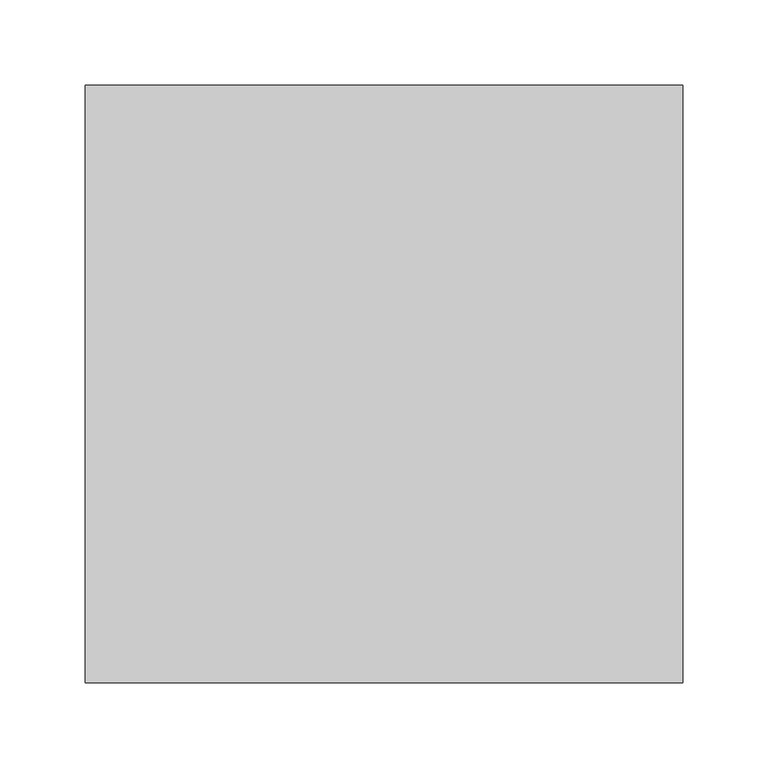
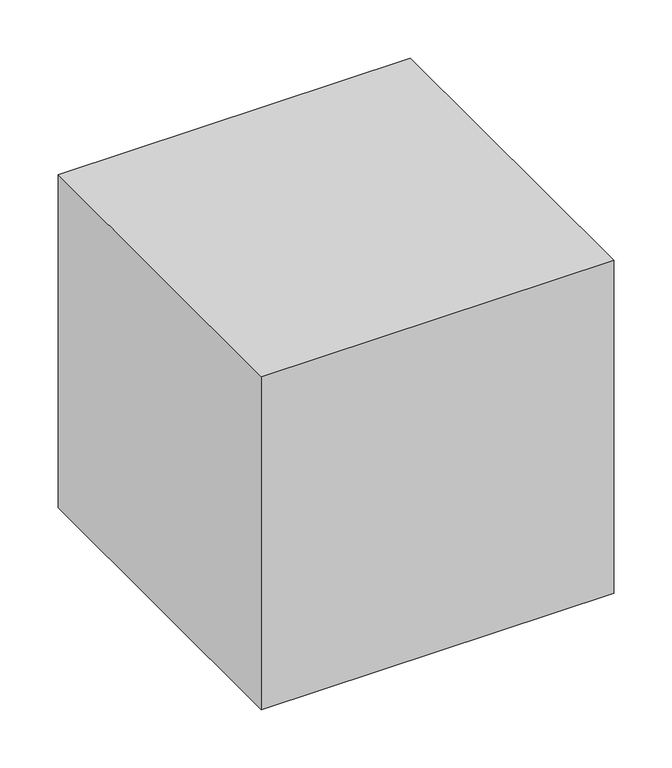
"""IFC4 building model written with IfcOpenShell, lengths in millimetres: proxy geometry."""

from ifc_helpers import new_model, si_unit, origin, origin_with_axes, place, context, project, spatial, polyline, outline, extrude, source, transform, mapped, element, save


def generic_models_db8cc8d8(model_context):
    return source(origin(), model_context, "Body", "SweptSolid", [
        extrude(outline(polyline([(350.0, 350.0), (350.0, 0.0), (0.0, 0.0), (0.0, 350.0), (350.0, 350.0)])), origin_with_axes(), (0.0, 0.0, 1.0), 350.0),
    ])


if __name__ == "__main__":
    model = new_model("IFC4")
    model_context = context("Model", 3, world=origin())
    ifc_project = project(units=[si_unit("LENGTHUNIT", "METRE", prefix="MILLI")], contexts=[model_context])
    site = spatial("IfcSite", under=ifc_project)
    building = spatial("IfcBuilding", under=site)
    placement = place(None, origin())
    generic_models_shape = generic_models_db8cc8d8(model_context)
    element("IfcBuildingElementProxy", 1, Name="Generic Models", at=placement, inside=building, context=model_context, shape_type="MappedRepresentation", body=[
        mapped(generic_models_shape, transform((0.0, 0.0, 0.0), x_axis=(1.0, 0.0, 0.0), y_axis=(0.0, 1.0, 0.0), z_axis=(0.0, 0.0, 1.0))),
    ])
    save(model, "model.ifc")
